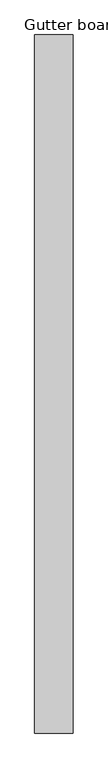
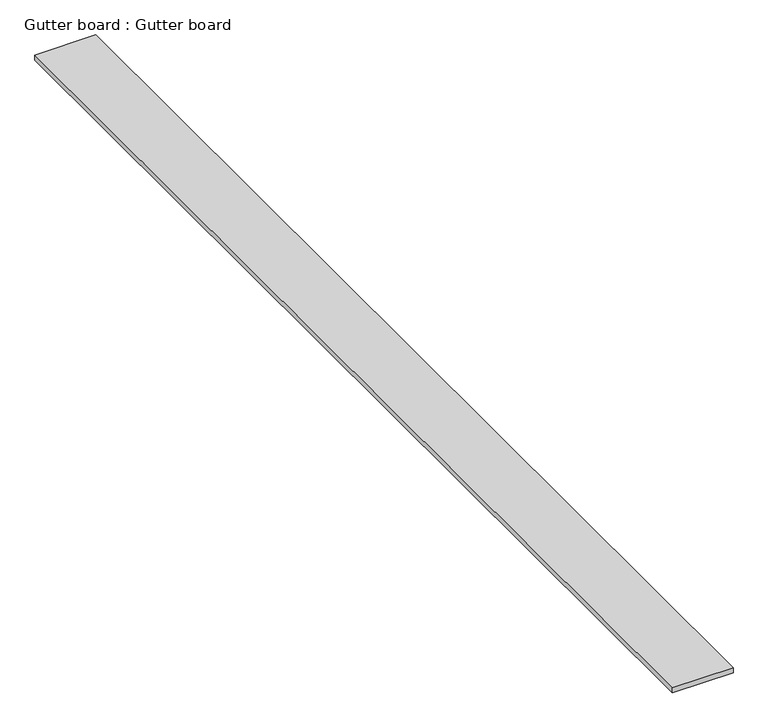
"""IFC4 building model written with IfcOpenShell, lengths in millimetres: proxy geometry, Gutter board : Gutter board."""

from ifc_helpers import new_model, si_unit, frame, origin, place, context, project, spatial, polyline, outline, extrude, source, transform, mapped, element, save


def gutter_board_gutter_board_3a021c25(model_context):
    return source(origin(), model_context, "Body", "SweptSolid", [
        extrude(outline(polyline([(-11590.4039486, -1334.6714866), (-11760.4039486, -1334.6714866), (-11760.4039486, 1755.3285134), (-11590.4039486, 1755.3285134), (-11590.4039486, -1334.6714866)])), frame((0.0, 0.0, 3784.2452806), z_axis=(0.0, 0.0, 1.0), x_axis=(1.0, 0.0, 0.0)), (0.0, 0.0, 1.0), 15.0),
    ])


if __name__ == "__main__":
    model = new_model("IFC4")
    model_context = context("Model", 3, world=origin())
    ifc_project = project(units=[si_unit("LENGTHUNIT", "METRE", prefix="MILLI")], contexts=[model_context])
    site = spatial("IfcSite", under=ifc_project)
    building = spatial("IfcBuilding", under=site)
    placement = place(None, origin())
    gutter_board_gutter_board_shape = gutter_board_gutter_board_3a021c25(model_context)
    element("IfcBuildingElementProxy", 1, Name="Gutter board : Gutter board", ObjectType="Gutter board : Gutter board", at=placement, inside=building, context=model_context, shape_type="MappedRepresentation", body=[
        mapped(gutter_board_gutter_board_shape, transform((0.0, 0.0, 0.0), x_axis=(1.0, 0.0, 0.0), y_axis=(0.0, 1.0, 0.0), z_axis=(0.0, 0.0, 1.0))),
    ])
    save(model, "model.ifc")
